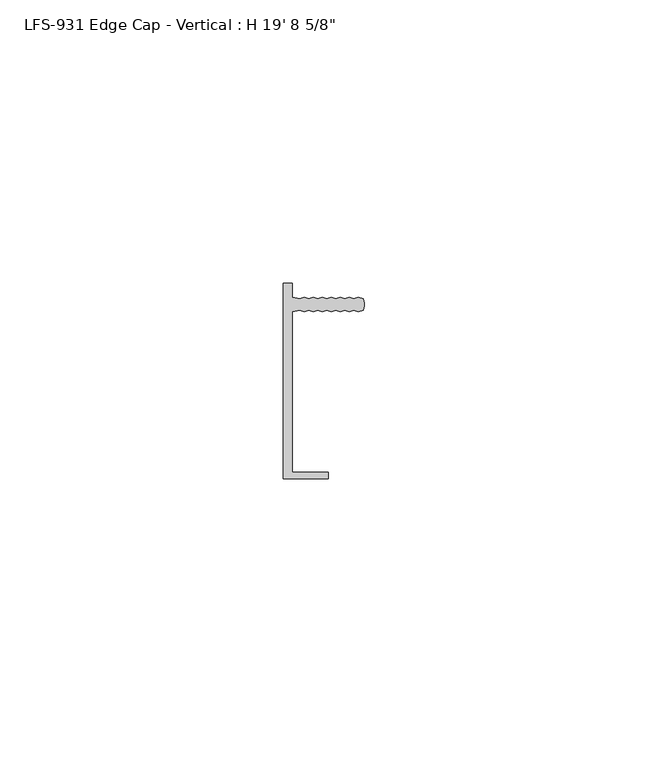
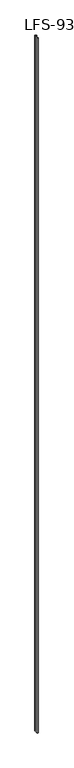
"""IFC4 building model written with IfcOpenShell, lengths in millimetres: proxy geometry."""

from ifc_helpers import new_model, si_unit, point, frame_2d, origin, origin_with_axes, place, context, project, spatial, polyline, circle_curve, trimmed, segment, composite_curve, outline, extrude, source, transform, mapped, element, save


def proxy_efbd45df(model_context):
    return source(origin(), model_context, "Body", "SweptSolid", [
        extrude(outline(composite_curve([segment(trimmed(circle_curve(frame_2d((5.0970263, 13.489432)), 2.1356527), [point((6.9755505, 14.5053844))], [point((6.975499, 12.4733844))], False, "CARTESIAN"), True, "CONTINUOUS"), segment(polyline([(6.975499, 12.4733844), (6.1594091, 12.2194051), (5.3776839, 12.4734249), (4.5615939, 12.2194456), (3.7798687, 12.4734654), (2.9637788, 12.2194861), (2.1820536, 12.4735059), (1.3659636, 12.2195266), (0.5842384, 12.4735464), (-0.2318515, 12.219567), (-1.0135767, 12.4735869), (-1.8296667, 12.2196075), (-2.6113918, 12.4736273), (-3.4274818, 12.219648), (-4.209207, 12.4736678), (-5.4705074, 12.2196998), (-5.4712256, -16.1278963), (0.8787744, -16.1280572), (0.8787469, -17.2126372), (-7.0587531, -17.2124361), (-7.057881, 17.2096439), (-5.470381, 17.2096037), (-5.470443, 14.7596998), (-4.2091555, 14.5056678), (-3.4274175, 14.759648), (-2.6113404, 14.5056273), (-1.8296023, 14.7596075), (-1.0135252, 14.5055869), (-0.2317872, 14.759567), (0.5842899, 14.5055464), (1.366028, 14.7595266), (2.1821051, 14.5055059), (2.9638431, 14.7594861), (3.7799202, 14.5054654), (4.5616583, 14.7594456), (5.3777354, 14.5054249), (6.1594734, 14.7594051), (6.9755505, 14.5053844)]), True, "CONTINUOUS")], self_intersect=False)), origin_with_axes(), (0.0, 0.0, 1.0), 6010.275),
    ])


if __name__ == "__main__":
    model = new_model("IFC4")
    model_context = context("Model", 3, world=origin())
    ifc_project = project(units=[si_unit("LENGTHUNIT", "METRE", prefix="MILLI")], contexts=[model_context])
    site = spatial("IfcSite", under=ifc_project)
    building = spatial("IfcBuilding", under=site)
    placement = place(None, origin())
    proxy_shape = proxy_efbd45df(model_context)
    element("IfcBuildingElementProxy", 1, Name="LFS-931 Edge Cap - Vertical : H 19' 8 5/8\"", ObjectType="LFS-931 Edge Cap - Vertical : H 19' 8 5/8\"", at=placement, inside=building, context=model_context, shape_type="MappedRepresentation", body=[
        mapped(proxy_shape, transform((0.0, 0.0, 0.0), x_axis=(1.0, 0.0, 0.0), y_axis=(0.0, 1.0, 0.0), z_axis=(0.0, 0.0, 1.0))),
    ])
    save(model, "model.ifc")
